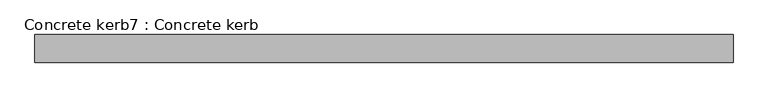
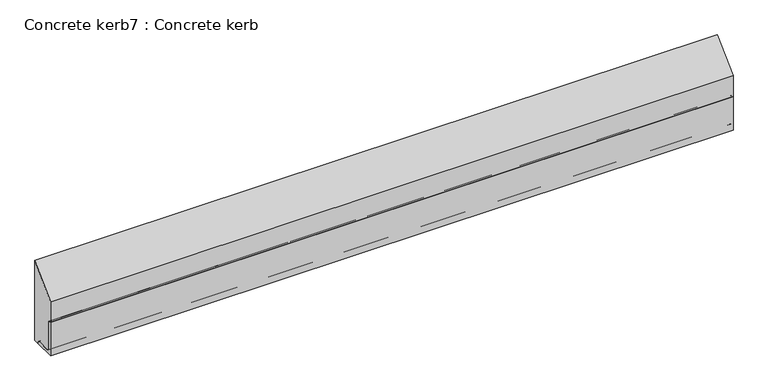
"""IFC4 building model written with IfcOpenShell, lengths in millimetres: proxy geometry, Concrete kerb7 : Concrete kerb."""

from ifc_helpers import new_model, si_unit, point, frame, frame_2d, origin, place, context, project, spatial, polyline, circle_curve, trimmed, segment, composite_curve, outline, extrude, source, transform, mapped, element, save


def concrete_kerb7_concrete_kerb_ffdeface(model_context):
    return source(origin(), model_context, "Body", "SweptSolid", [
        extrude(outline(composite_curve([segment(polyline([(-21812.3538557, 400.0), (-21808.9987598, 400.0)]), True, "CONTINUOUS"), segment(trimmed(circle_curve(frame_2d((-21808.9987598, 391.355096)), 8.644904), [point((-21808.9987598, 400.0))], [point((-21800.3538557, 391.355096))], False, "CARTESIAN"), True, "CONTINUOUS"), segment(polyline([(-21800.3538557, 391.355096), (-21800.3538557, 293.5612899)]), True, "CONTINUOUS"), segment(trimmed(circle_curve(frame_2d((-21793.7925659, 293.5612899)), 6.5612899), [point((-21800.3538557, 293.5612899))], [point((-21793.7925659, 287.0))], True, "CARTESIAN"), True, "CONTINUOUS"), segment(polyline([(-21793.7925659, 287.0), (-21746.4211138, 287.0)]), True, "CONTINUOUS"), segment(trimmed(circle_curve(frame_2d((-21746.7795073, 277.4399527)), 9.5667628), [point((-21746.4211138, 287.0))], [point((-21737.3538557, 279.0770366))], False, "CARTESIAN"), True, "CONTINUOUS"), segment(polyline([(-21737.3538557, 279.0770366), (-21737.3538557, 275.0), (-21812.3538557, 275.0), (-21812.3538557, 400.0)]), True, "CONTINUOUS")], self_intersect=False)), frame((-2635.3690716, 0.0, 0.0), z_axis=(1.0, 0.0, 0.0), x_axis=(0.0, 1.0, 0.0)), (0.0, 0.0, 1.0), 2400.0),
        extrude(outline(composite_curve([segment(polyline([(-21717.3538557, 572.0), (-21717.3538557, 275.0), (-21737.3538557, 275.0), (-21737.3538557, 279.0770366)]), True, "CONTINUOUS"), segment(trimmed(circle_curve(frame_2d((-21746.4211138, 277.8501081)), 9.1498919), [point((-21737.3538557, 279.0770366))], [point((-21746.4211138, 287.0))], True, "CARTESIAN"), True, "CONTINUOUS"), segment(polyline([(-21746.4211138, 287.0), (-21793.7925659, 287.0)]), True, "CONTINUOUS"), segment(trimmed(circle_curve(frame_2d((-21793.7925659, 293.5612899)), 6.5612899), [point((-21793.7925659, 287.0))], [point((-21800.3538557, 293.5612899))], False, "CARTESIAN"), True, "CONTINUOUS"), segment(polyline([(-21800.3538557, 293.5612899), (-21800.3538557, 391.355096)]), True, "CONTINUOUS"), segment(trimmed(circle_curve(frame_2d((-21808.9987598, 391.355096)), 8.644904), [point((-21800.3538557, 391.355096))], [point((-21808.9987598, 400.0))], True, "CARTESIAN"), True, "CONTINUOUS"), segment(polyline([(-21808.9987598, 400.0), (-21812.3538557, 400.0), (-21812.3538557, 477.0), (-21717.3538557, 572.0)]), True, "CONTINUOUS")], self_intersect=False)), frame((-2635.3690716, 0.0, 0.0), z_axis=(1.0, 0.0, 0.0), x_axis=(0.0, 1.0, 0.0)), (0.0, 0.0, 1.0), 2400.0),
    ])


if __name__ == "__main__":
    model = new_model("IFC4")
    model_context = context("Model", 3, world=origin())
    ifc_project = project(units=[si_unit("LENGTHUNIT", "METRE", prefix="MILLI")], contexts=[model_context])
    site = spatial("IfcSite", under=ifc_project)
    building = spatial("IfcBuilding", under=site)
    placement = place(None, origin())
    concrete_kerb7_concrete_kerb_shape = concrete_kerb7_concrete_kerb_ffdeface(model_context)
    element("IfcBuildingElementProxy", 1, Name="Concrete kerb7 : Concrete kerb", ObjectType="Concrete kerb7 : Concrete kerb", at=placement, inside=building, context=model_context, shape_type="MappedRepresentation", body=[
        mapped(concrete_kerb7_concrete_kerb_shape, transform((0.0, 0.0, 0.0), x_axis=(1.0, 0.0, 0.0), y_axis=(0.0, 1.0, 0.0), z_axis=(0.0, 0.0, 1.0))),
    ])
    save(model, "model.ifc")
